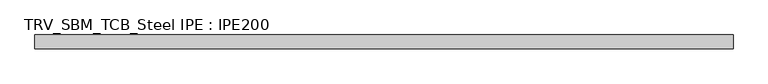
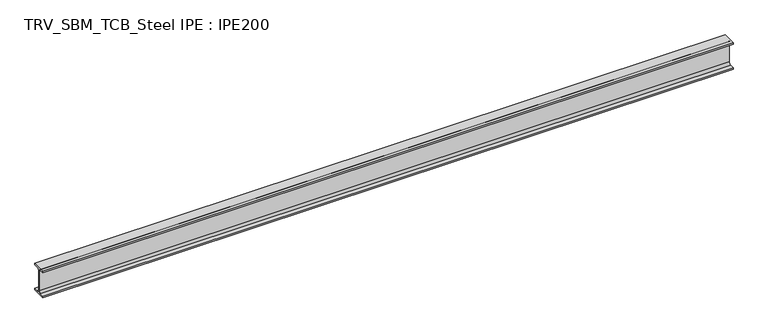
"""IFC4 building model written with IfcOpenShell, lengths in millimetres: beam geometry, TRV_SBM_TCB_Steel IPE : IPE200."""

from ifc_helpers import new_model, si_unit, point, frame, frame_2d, origin, place, context, project, spatial, polyline, circle_curve, trimmed, segment, composite_curve, outline, extrude, source, transform, mapped, element, save


def trv_sbm_tcb_steel_ipe_ipe200_e0ad619d(model_context):
    return source(origin(), model_context, "Body", "SweptSolid", [
        extrude(outline(composite_curve([segment(polyline([(-50.0, -89.3), (-18.55, -89.3)]), True, "CONTINUOUS"), segment(trimmed(circle_curve(frame_2d((-18.55, -74.3)), 15.0), [point((-18.55, -89.3))], [point((-3.55, -74.3))], True, "CARTESIAN"), True, "CONTINUOUS"), segment(polyline([(-3.55, -74.3), (-3.55, 74.3)]), True, "CONTINUOUS"), segment(trimmed(circle_curve(frame_2d((-18.55, 74.3)), 15.0), [point((-3.55, 74.3))], [point((-18.55, 89.3))], True, "CARTESIAN"), True, "CONTINUOUS"), segment(polyline([(-18.55, 89.3), (-50.0, 89.3), (-50.0, 100.0), (50.0, 100.0), (50.0, 89.3), (18.55, 89.3)]), True, "CONTINUOUS"), segment(trimmed(circle_curve(frame_2d((18.55, 74.3)), 15.0), [point((18.55, 89.3))], [point((3.55, 74.3))], True, "CARTESIAN"), True, "CONTINUOUS"), segment(polyline([(3.55, 74.3), (3.55, -74.3)]), True, "CONTINUOUS"), segment(trimmed(circle_curve(frame_2d((18.55, -74.3)), 15.0), [point((3.55, -74.3))], [point((18.55, -89.3))], True, "CARTESIAN"), True, "CONTINUOUS"), segment(polyline([(18.55, -89.3), (50.0, -89.3), (50.0, -100.0), (-50.0, -100.0), (-50.0, -89.3)]), True, "CONTINUOUS")], self_intersect=False)), frame((-2467.5, 0.0, 0.0), z_axis=(1.0, 0.0, 0.0), x_axis=(0.0, 1.0, 0.0)), (0.0, 0.0, 1.0), 4985.0),
    ])


if __name__ == "__main__":
    model = new_model("IFC4")
    model_context = context("Model", 3, world=origin())
    ifc_project = project(units=[si_unit("LENGTHUNIT", "METRE", prefix="MILLI")], contexts=[model_context])
    site = spatial("IfcSite", under=ifc_project)
    building = spatial("IfcBuilding", under=site)
    placement = place(None, origin())
    trv_sbm_tcb_steel_ipe_ipe200_shape = trv_sbm_tcb_steel_ipe_ipe200_e0ad619d(model_context)
    element("IfcBeam", 1, ObjectType="TRV_SBM_TCB_Steel IPE : IPE200", at=placement, inside=building, context=model_context, shape_type="MappedRepresentation", body=[
        mapped(trv_sbm_tcb_steel_ipe_ipe200_shape, transform((0.0, 0.0, 0.0), x_axis=(1.0, 0.0, 0.0), y_axis=(0.0, 1.0, 0.0), z_axis=(0.0, 0.0, 1.0))),
    ])
    save(model, "model.ifc")
